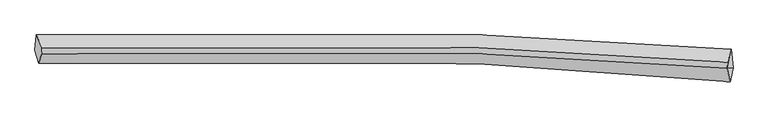
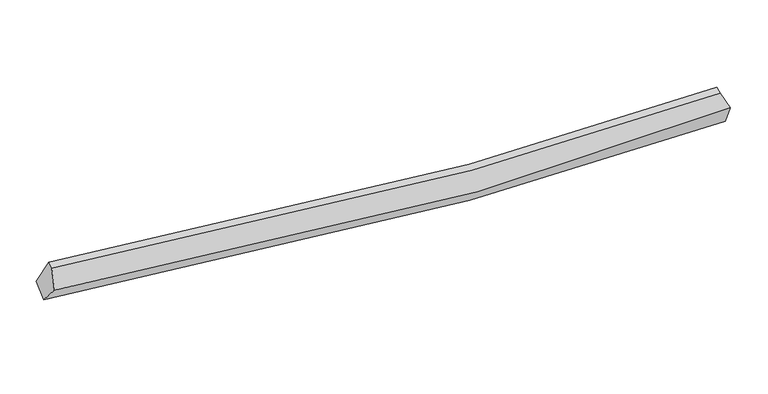
"""IFC4 building model written with IfcOpenShell, lengths in millimetres: proxy geometry."""

from ifc_helpers import new_model, si_unit, frame, origin, place, context, project, spatial, source, transform, mapped, element, save
from ifc_brep_helpers import plane_surface, spline_curve, spline_surface, advanced_brep


def generic_models_5ac7d02a(model_context):
    return source(origin(), model_context, "Body", "AdvancedBrep", [
        advanced_brep(
        [(-8219.297438, -1939.3575233, 3287.7018942), (-8188.4183968, -1587.1270292, 3521.7466731), (7601.8304933, -1916.9850009, 2601.9661925), (7647.4357467, -2326.5690428, 2423.7135448), (-8132.0835695, -2233.7188591, 3677.5043211), (7582.8507804, -2650.7976693, 2975.7477455), (-8065.9491748, -2013.2234726, 4066.4421022), (7514.3106619, -2348.3990728, 3180.19381), (-8059.2136709, -1872.4444191, 4130.9470718), (7521.0461658, -2207.6200194, 3244.6987796)],
        [
            (0, 1),
            (1, 2, spline_curve(3, [(-8188.4183968, -1587.1270292, 3521.7466731), (-4839.383926343, -1463.422738091, 2898.681288069), (-1489.525591784, -1463.009825989, 2547.993375795), (3774.445942828, -1656.053725581, 2424.966506805), (5688.003903962, -1766.419294455, 2469.06092651), (7601.8304933, -1916.9850009, 2601.9661925)], [4, 2, 4], [0.0, 33.20153945355653, 52.160111914735296])),
            (2, 3),
            (3, 0, spline_curve(3, [(7647.4357467, -2326.5690428, 2423.7135448), (5705.291077035, -2154.251412883, 2274.195100418), (3770.339671583, -2027.514414716, 2217.068982588), (-1533.439429411, -1804.231509155, 2314.095770982), (-4887.399085532, -1801.89800151, 2659.218005756), (-8219.297438, -1939.3575233, 3287.7018942)], [4, 2, 4], [0.0, 18.95857246117877, 52.160111914735296])),
            (4, 0),
            (3, 5),
            (5, 4, spline_curve(3, [(7582.8507804, -2650.7976693, 2975.7477455), (5663.770007504, -2464.991652137, 2757.479941357), (3750.184184651, -2328.353623748, 2649.448587467), (-1499.484992776, -2087.700107816, 2655.515397133), (-4824.210619341, -2085.311866462, 2997.465610442), (-8132.0835695, -2233.7188591, 3677.5043211)], [4, 2, 4], [0.0, 18.92022903529523, 52.05461887777931])),
            (6, 4),
            (5, 7),
            (7, 6, spline_curve(3, [(7514.3106619, -2348.3990728, 3180.19381), (5631.216152484, -2198.812287201, 3046.215998495), (3746.467306114, -2088.835661977, 2999.962228878), (-1443.533225532, -1895.23866538, 3114.058059182), (-4752.20432468, -1893.490090565, 3455.727925542), (-8065.9491748, -2013.2234726, 4066.4421022)], [4, 2, 4], [0.0, 18.746374145308984, 51.576297499037565])),
            (8, 6),
            (7, 9),
            (9, 8, spline_curve(3, [(7521.0461658, -2207.6200194, 3244.6987796), (5637.951656221, -2058.033233542, 3110.720968181), (3753.202810286, -1948.05660846, 3064.467198468), (-1436.797722109, -1754.459611911, 3178.563028798), (-4745.468820779, -1752.711036792, 3520.232895065), (-8059.2136709, -1872.4444191, 4130.9470718)], [4, 2, 4], [0.0, 18.658843961052128, 51.335478512476])),
            (1, 8),
            (9, 2),
            (7, 2),
            (3, 7),
        ],
        [
            spline_surface(3, 3, [[(-8219.297438, -1939.3575233, 3287.7018942), (-4887.399085652, -1801.898001082, 2659.218005207), (-1533.4394296, -1804.231509517, 2314.095770913), (3770.339671691, -2027.514414509, 2217.068982627), (5705.291077221, -2154.251412579, 2274.195100402), (7647.4357467, -2326.5690428, 2423.7135448)], [(-8209.004424285, -1821.94735857, 3365.716820508), (-4871.394032704, -1689.072913208, 2739.039099674), (-1518.801483554, -1690.490948287, 2392.061639038), (3771.70842869, -1903.694184899, 2286.36815742), (5699.528686176, -2024.974039909, 2339.150375839), (7632.233995575, -2190.04102882, 2483.131094014)], [(-8198.711410515, -1704.53719393, 3443.731746792), (-4855.388979702, -1576.247825425, 2818.860194118), (-1504.163537536, -1576.750387053, 2470.027507219), (3773.077185661, -1779.873955286, 2355.66733227), (5693.766295105, -1895.696667278, 2404.105651333), (7617.032244425, -2053.51301488, 2542.548643286)], [(-8188.4183968, -1587.1270292, 3521.7466731), (-4839.383926754, -1463.422737551, 2898.681288584), (-1489.52559149, -1463.009825824, 2547.993375344), (3774.44594266, -1656.053725676, 2424.966507062), (5688.003904059, -1766.419294607, 2469.06092677), (7601.8304933, -1916.9850009, 2601.9661925)]], [4, 4], [4, 2, 4], [0.0, 1.3727392885029035], [0.0, 33.20153945355653, 52.160111914735296]),
            spline_surface(3, 3, [[(-8132.0835695, -2233.7188591, 3677.5043211), (-4824.210619681, -2085.311866834, 2997.465610207), (-1499.484992713, -2087.700108062, 2655.515397613), (3750.184184615, -2328.353623608, 2649.448587192), (5663.77000764, -2464.991652409, 2757.479941223), (7582.8507804, -2650.7976693, 2975.7477455)], [(-8161.154859001, -2135.598413853, 3547.570178789), (-4845.273441673, -1990.84057827, 2884.716408529), (-1510.803138334, -1993.210575196, 2541.708855369), (3756.902680314, -2228.073887224, 2505.322052326), (5677.610364172, -2361.411572464, 2596.384994282), (7604.379102505, -2542.721460465, 2791.736345267)], [(-8190.226148499, -2037.477968547, 3417.636036511), (-4866.336263661, -1896.369289646, 2771.967206885), (-1522.121283979, -1898.721042383, 2427.902313158), (3763.621175991, -2127.794150893, 2361.195517494), (5691.450720689, -2257.831492524, 2435.290047342), (7625.907424595, -2434.645251635, 2607.724945033)], [(-8219.297438, -1939.3575233, 3287.7018942), (-4887.399085652, -1801.898001082, 2659.218005207), (-1533.4394296, -1804.231509517, 2314.095770913), (3770.339671691, -2027.514414509, 2217.068982627), (5705.291077221, -2154.251412579, 2274.195100402), (7647.4357467, -2326.5690428, 2423.7135448)]], [4, 4], [4, 2, 4], [0.0, 1.5407192786429664], [0.0, 33.13438984248408, 52.05461887777931]),
            spline_surface(3, 3, [[(-8065.9491748, -2013.2234726, 4066.4421022), (-4752.204324774, -1893.490090802, 3455.727925796), (-1443.533225543, -1895.23866562, 3114.058058931), (3746.467306121, -2088.83566184, 2999.962229021), (5631.21615247, -2198.812287076, 3046.215998502), (7514.3106619, -2348.3990728, 3180.19381)], [(-8087.993973038, -2086.721934764, 3936.796175155), (-4776.206423081, -1957.430682809, 3302.973820588), (-1462.183814624, -1959.392479793, 2961.210505162), (3747.706265595, -2168.674982455, 2883.124348414), (5642.067437514, -2287.538742196, 2949.970646087), (7537.157368054, -2449.198604976, 3112.045121845)], [(-8110.038771262, -2160.220396936, 3807.150248145), (-4800.208521374, -2021.371274826, 3150.219715415), (-1480.834403632, -2023.546293889, 2808.362951383), (3748.945225141, -2248.514302993, 2766.286467799), (5652.918722595, -2376.265197288, 2853.725293637), (7560.004074246, -2549.998137124, 3043.896433655)], [(-8132.0835695, -2233.7188591, 3677.5043211), (-4824.210619681, -2085.311866834, 2997.465610207), (-1499.484992713, -2087.700108062, 2655.515397613), (3750.184184615, -2328.353623608, 2649.448587192), (5663.77000764, -2464.991652409, 2757.479941223), (7582.8507804, -2650.7976693, 2975.7477455)]], [4, 4], [4, 2, 4], [0.0, 1.555115233770061], [0.0, 32.82992335372858, 51.576297499037565]),
            spline_surface(3, 3, [[(-8059.2136709, -1872.4444191, 4130.9470718), (-4745.468820874, -1752.711037302, 3520.232895396), (-1436.797721643, -1754.45961212, 3178.563028531), (3753.202810021, -1948.05660834, 3064.467198621), (5637.95165637, -2058.033233676, 3110.720968102), (7521.0461658, -2207.6200194, 3244.6987796)], [(-8061.458838863, -1919.370770252, 4109.445415286), (-4747.713988837, -1799.637388453, 3498.731238882), (-1439.042889607, -1801.385963272, 3157.061372017), (3750.957642058, -1994.982959492, 3042.965542107), (5635.706488406, -2104.959584827, 3089.219311588), (7518.800997837, -2254.546370552, 3223.197123086)], [(-8063.704006837, -1966.297121448, 4087.943758714), (-4749.959156811, -1846.56373965, 3477.22958231), (-1441.28805758, -1848.312314468, 3135.559715445), (3748.712474084, -2041.909310688, 3021.463885534), (5633.461320433, -2151.885935924, 3067.717655016), (7516.555829863, -2301.472721648, 3201.695466514)], [(-8065.9491748, -2013.2234726, 4066.4421022), (-4752.204324774, -1893.490090802, 3455.727925796), (-1443.533225543, -1895.23866562, 3114.058058931), (3746.467306121, -2088.83566184, 2999.962229021), (5631.21615247, -2198.812287076, 3046.215998502), (7514.3106619, -2348.3990728, 3180.19381)]], [4, 4], [4, 2, 4], [0.0, 0.5085301837270313], [0.0, 32.676634551423874, 51.335478512476]),
            spline_surface(3, 3, [[(-8188.4183968, -1587.1270292, 3521.7466731), (-4839.383926754, -1463.422737551, 2898.681288584), (-1489.52559149, -1463.009825824, 2547.993375344), (3774.44594266, -1656.053725676, 2424.966507062), (5688.003904059, -1766.419294607, 2469.06092677), (7601.8304933, -1916.9850009, 2601.9661925)], [(-8145.350154813, -1682.232825862, 3724.813472662), (-4808.07889144, -1559.85217083, 3105.865157517), (-1471.949634871, -1560.159754595, 2758.183259748), (3767.364898451, -1753.388019903, 2638.133404256), (5671.319821492, -1863.62394095, 2682.947607201), (7574.902384129, -2013.863340387, 2816.210388188)], [(-8102.281912887, -1777.338622438, 3927.880272238), (-4776.773856188, -1656.281604023, 3313.049026463), (-1454.373678263, -1657.309683349, 2968.373144128), (3760.28385423, -1850.722314113, 2851.300301427), (5654.635738937, -1960.828587333, 2896.83428767), (7547.974274971, -2110.741679913, 3030.454583912)], [(-8059.2136709, -1872.4444191, 4130.9470718), (-4745.468820874, -1752.711037302, 3520.232895396), (-1436.797721643, -1754.45961212, 3178.563028531), (3753.202810021, -1948.05660834, 3064.467198621), (5637.95165637, -2058.033233676, 3110.720968102), (7521.0461658, -2207.6200194, 3244.6987796)]], [4, 4], [4, 2, 4], [0.0, 2.2864910165920187], [0.0, 32.8979113197843, 51.683107604131706]),
            plane_surface(frame((-8132.99245, -1929.1742607, 3736.8684125), z_axis=(-0.9810882509305205, -0.039850014200037524, 0.18941441406173176), x_axis=(-0.07282371557986121, -0.8306842562203827, -0.5519604812998239))),
            plane_surface(frame((7545.729107, -2157.668031, 3008.9529274), z_axis=(0.9925550953672788, -0.0866889452615643, 0.08555354714966389), x_axis=(0.12043094916631948, 0.5936438100021615, -0.79566539030488))),
            plane_surface(frame((7581.5323963, -2441.9219283, 2859.8850335), z_axis=(0.9790727772067698, 0.10340747669902861, 0.17528089084484655), x_axis=(0.18454334920889517, -0.8142041632120253, -0.5504682850727819))),
            plane_surface(frame((7587.8589673, -2197.3177055, 2735.2911825), z_axis=(0.9841371891766897, 0.033782619392940576, 0.17416293379004688), x_axis=(0.17324639402706118, 0.028409176086237883, -0.9844686920723896))),
        ],
        [
            (0, [[1, 2, 3, 4]]),
            (1, [[5, -4, 6, 7]]),
            (2, [[8, -7, 9, 10]]),
            (3, [[11, -10, 12, 13]]),
            (4, [[14, -13, 15, -2]]),
            (5, [[-1, -5, -8, -11, -14]]),
            (6, [[16, -15, -12]]),
            (7, [[-9, -6, 17]]),
            (8, [[-17, -3, -16]]),
        ],
    ),
    ])


if __name__ == "__main__":
    model = new_model("IFC4")
    model_context = context("Model", 3, world=origin())
    ifc_project = project(units=[si_unit("LENGTHUNIT", "METRE", prefix="MILLI")], contexts=[model_context])
    site = spatial("IfcSite", under=ifc_project)
    building = spatial("IfcBuilding", under=site)
    placement = place(None, origin())
    generic_models_shape = generic_models_5ac7d02a(model_context)
    element("IfcBuildingElementProxy", 1, Name="Generic Models", at=placement, inside=building, context=model_context, shape_type="MappedRepresentation", body=[
        mapped(generic_models_shape, transform((0.0, 0.0, 0.0), x_axis=(1.0, 0.0, 0.0), y_axis=(0.0, 1.0, 0.0), z_axis=(0.0, 0.0, 1.0))),
    ])
    save(model, "model.ifc")
